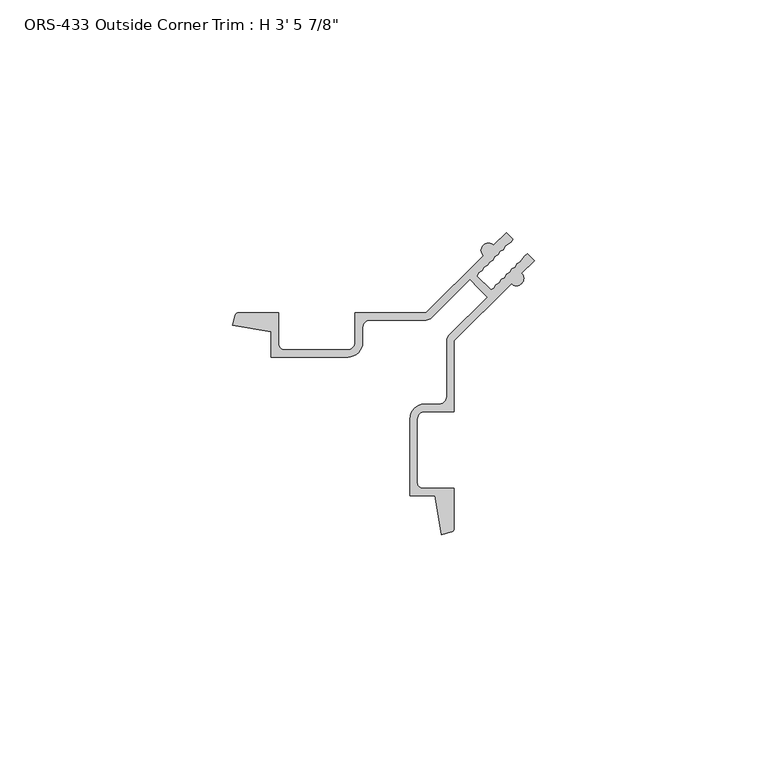
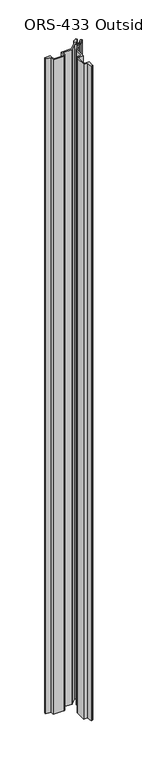
"""IFC4 building model written with IfcOpenShell, lengths in millimetres: proxy geometry."""

from ifc_helpers import new_model, si_unit, point, frame_2d, origin, origin_with_axes, place, context, project, spatial, polyline, circle_curve, trimmed, segment, composite_curve, outline, extrude, source, transform, mapped, element, save


def proxy_49fb9a2a(model_context):
    return source(origin(), model_context, "Body", "SweptSolid", [
        extrude(outline(composite_curve([segment(trimmed(circle_curve(frame_2d((36.2723655, 36.2723655)), 37.30498), [point((47.1313957, 0.5828293))], [point((44.9888461, 0.0))], False, "CARTESIAN"), True, "CONTINUOUS"), segment(polyline([(44.9888461, 0.0), (43.5626519, 8.3289739), (38.1949811, 8.3289739), (38.1949811, 24.9221382)]), True, "CONTINUOUS"), segment(trimmed(circle_curve(frame_2d((41.3198018, 24.9221382)), 3.1248207), [point((38.1949811, 24.9221382))], [point((41.3198018, 28.0469589))], False, "CARTESIAN"), True, "CONTINUOUS"), segment(polyline([(41.3198018, 28.0469589), (44.5318645, 28.0469589)]), True, "CONTINUOUS"), segment(trimmed(circle_curve(frame_2d((44.5318645, 29.6119153)), 1.5649564), [point((44.5318645, 28.0469589))], [point((46.0968209, 29.6119153))], True, "CARTESIAN"), True, "CONTINUOUS"), segment(polyline([(46.0968209, 29.6119153), (46.0968209, 41.6593283)]), True, "CONTINUOUS"), segment(trimmed(circle_curve(frame_2d((47.6894223, 41.6593283)), 1.5926014), [point((46.0968209, 41.6593283))], [point((46.5651522, 42.7873335))], False, "CARTESIAN"), True, "CONTINUOUS"), segment(polyline([(46.5651522, 42.7873335), (54.8464242, 51.0580705), (52.9534529, 52.9534529), (51.058979, 54.8478722), (42.7838035, 46.5724577)]), True, "CONTINUOUS"), segment(trimmed(circle_curve(frame_2d((41.6612389, 47.6949899)), 1.5875232), [point((42.7838035, 46.5724577))], [point((41.6612389, 46.1074667))], False, "CARTESIAN"), True, "CONTINUOUS"), segment(polyline([(41.6612389, 46.1074667), (29.5887669, 46.1074667)]), True, "CONTINUOUS"), segment(trimmed(circle_curve(frame_2d((29.5887669, 44.5199809)), 1.5874858), [point((29.5887669, 46.1074667))], [point((28.0012811, 44.5199809))], True, "CARTESIAN"), True, "CONTINUOUS"), segment(polyline([(28.0012811, 44.5199809), (28.0012811, 41.3322962)]), True, "CONTINUOUS"), segment(trimmed(circle_curve(frame_2d((24.8262772, 41.3322962)), 3.175004), [point((28.0012811, 41.3322962))], [point((24.8262772, 38.1572923))], False, "CARTESIAN"), True, "CONTINUOUS"), segment(polyline([(24.8262772, 38.1572923), (8.3289739, 38.1572923), (8.3289739, 43.5626519), (0.0, 44.9888461), (0.5828293, 47.1313957)]), True, "CONTINUOUS"), segment(trimmed(circle_curve(frame_2d((1.343422, 46.8999749)), 0.79502), [point((0.5828293, 47.1313957))], [point((1.343422, 47.6949949))], False, "CARTESIAN"), True, "CONTINUOUS"), segment(polyline([(1.343422, 47.6949949), (9.9037739, 47.6949949), (9.9037739, 41.0147949)]), True, "CONTINUOUS"), segment(trimmed(circle_curve(frame_2d((11.1737739, 41.0147949)), 1.27), [point((9.9037739, 41.0147949))], [point((11.1737739, 39.7447949))], True, "CARTESIAN"), True, "CONTINUOUS"), segment(polyline([(11.1737739, 39.7447949), (24.8262739, 39.7447949)]), True, "CONTINUOUS"), segment(trimmed(circle_curve(frame_2d((24.8262739, 41.3322949)), 1.5875), [point((24.8262739, 39.7447949))], [point((26.4137739, 41.3322949))], True, "CARTESIAN"), True, "CONTINUOUS"), segment(polyline([(26.4137739, 41.3322949), (26.4137739, 47.6949949), (41.6791739, 47.6949949), (53.9593059, 59.9751269)]), True, "CONTINUOUS"), segment(trimmed(circle_curve(frame_2d((55.0728576, 61.0886787)), 1.5748), [point((53.9593059, 59.9751269))], [point((56.1864094, 62.2022305))], False, "CARTESIAN"), True, "CONTINUOUS"), segment(polyline([(56.1864094, 62.2022305), (58.8894665, 64.9052876), (60.3348125, 63.4599416), (59.853887, 62.8353317), (58.6179024, 61.9585574), (58.2447399, 61.2261846), (57.5099523, 60.8506074), (57.1367898, 60.1182346), (56.3697227, 59.7103778), (55.9965601, 58.978005), (55.229493, 58.5701482), (54.8563305, 57.8377754), (54.0892634, 57.4299186), (53.7161008, 56.6975458), (52.9490338, 56.289689), (52.5758712, 55.5573162), (55.5573162, 52.5758712), (56.289689, 52.9490337), (56.6975458, 53.7161007), (57.4299186, 54.0892632), (57.8377754, 54.8563303), (58.5701482, 55.2294928), (58.9780051, 55.9965599), (59.7103779, 56.3697224), (60.1182347, 57.1367895), (60.8506075, 57.509952), (61.2261848, 58.2447395), (61.9585576, 58.6179021), (62.835332, 59.8538866), (63.482081, 60.312673), (64.9052876, 58.8894665), (62.2022305, 56.1864094)]), True, "CONTINUOUS"), segment(trimmed(circle_curve(frame_2d((61.0886787, 55.0728576)), 1.5748), [point((62.2022305, 56.1864094))], [point((59.9751269, 53.9593059))], False, "CARTESIAN"), True, "CONTINUOUS"), segment(polyline([(59.9751269, 53.9593059), (47.6949949, 41.6791739), (47.6949949, 26.4137739), (41.3322949, 26.4137739)]), True, "CONTINUOUS"), segment(trimmed(circle_curve(frame_2d((41.3322949, 24.8262739)), 1.5875), [point((41.3322949, 26.4137739))], [point((39.7447949, 24.8262739))], True, "CARTESIAN"), True, "CONTINUOUS"), segment(polyline([(39.7447949, 24.8262739), (39.7447949, 11.1737739)]), True, "CONTINUOUS"), segment(trimmed(circle_curve(frame_2d((41.0147949, 11.1737739)), 1.27), [point((39.7447949, 11.1737739))], [point((41.0147949, 9.9037739))], True, "CARTESIAN"), True, "CONTINUOUS"), segment(polyline([(41.0147949, 9.9037739), (47.6949949, 9.9037739), (47.6949949, 1.343422)]), True, "CONTINUOUS"), segment(trimmed(circle_curve(frame_2d((46.8999749, 1.343422)), 0.79502), [point((47.6949949, 1.343422))], [point((47.1313957, 0.5828293))], False, "CARTESIAN"), True, "CONTINUOUS")], self_intersect=False)), origin_with_axes(), (0.0, 0.0, 1.0), 1063.625),
    ])


if __name__ == "__main__":
    model = new_model("IFC4")
    model_context = context("Model", 3, world=origin())
    ifc_project = project(units=[si_unit("LENGTHUNIT", "METRE", prefix="MILLI")], contexts=[model_context])
    site = spatial("IfcSite", under=ifc_project)
    building = spatial("IfcBuilding", under=site)
    placement = place(None, origin())
    proxy_shape = proxy_49fb9a2a(model_context)
    element("IfcBuildingElementProxy", 1, Name="ORS-433 Outside Corner Trim : H 3' 5 7/8\"", ObjectType="ORS-433 Outside Corner Trim : H 3' 5 7/8\"", at=placement, inside=building, context=model_context, shape_type="MappedRepresentation", body=[
        mapped(proxy_shape, transform((0.0, 0.0, 0.0), x_axis=(1.0, 0.0, 0.0), y_axis=(0.0, 1.0, 0.0), z_axis=(0.0, 0.0, 1.0))),
    ])
    save(model, "model.ifc")
